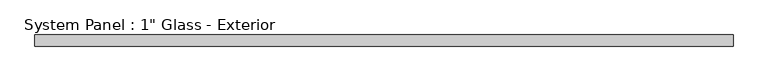
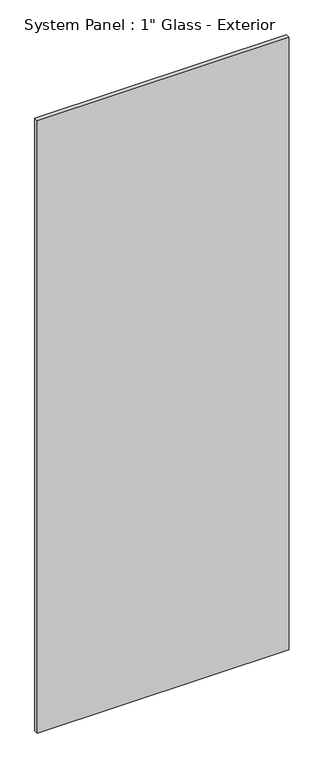
"""IFC4 building model written with IfcOpenShell, lengths in millimetres: plate geometry."""

import ifcopenshell
import ifcopenshell.guid

model = None  # the IFC model being written
_history = None  # IfcOwnerHistory: only IFC2X3 demands one
_inside = {}  # id of a spatial element -> (the spatial element, [elements in it])
_under = {}  # id of a project, library or spatial element -> (it, [spatial elements below it])
_declared = {}  # id of a project -> (the project, [libraries it declares])
_typed = {}  # id of a type object -> (the type object, [elements of that type])
_made_of = {}  # id of a material, layer set ... -> (it, [elements and type objects made of it])


def new_model(schema):
    """Start an empty IFC model of exactly this schema.

    Asked for "IFC4X3", IfcOpenShell would pick the latest addendum, in which some entities
    have other attributes; the version numbers below select the first issue.
    IFC2X3 requires an IfcOwnerHistory on every rooted entity: one is made here for all.
    """
    global model, _history
    if schema == "IFC4X3":
        model = ifcopenshell.file(schema_version=(4, 3, 0, 0))
    else:
        model = ifcopenshell.file(schema=schema)
    _inside.clear()
    _under.clear()
    _declared.clear()
    _typed.clear()
    _made_of.clear()
    _history = None
    if model.schema == "IFC2X3":
        org = make("IfcOrganization", Name="unknown")
        user = make(
            "IfcPersonAndOrganization",
            ThePerson=make("IfcPerson", FamilyName="unknown"),
            TheOrganization=org,
        )
        app = make(
            "IfcApplication",
            ApplicationDeveloper=org,
            Version="unknown",
            ApplicationFullName="unknown",
            ApplicationIdentifier="unknown",
        )
        _history = make(
            "IfcOwnerHistory",
            OwningUser=user,
            OwningApplication=app,
            ChangeAction="ADDED",
            CreationDate=0,
        )
    return model


def make(cls, **values):
    """One entity of the class cls with the attributes given. An attribute that is None is left unset."""
    return model.create_entity(
        cls, **{name: value for name, value in values.items() if value is not None}
    )


def rooted(cls, **values):
    """An entity with a GlobalId (a new one), such as an element, a storey or a relation."""
    return make(cls, GlobalId=ifcopenshell.guid.new(), OwnerHistory=_history, **values)


def si_unit(unit_type, name, prefix=None):
    """IfcSIUnit, for example si_unit("LENGTHUNIT", "METRE", prefix="MILLI")."""
    return make("IfcSIUnit", UnitType=unit_type, Prefix=prefix, Name=name)


def assignment(units):
    """IfcUnitAssignment: the units of a project."""
    return None if units is None else make("IfcUnitAssignment", Units=units)


def point(xyz):
    """IfcCartesianPoint."""
    return None if xyz is None else make("IfcCartesianPoint", Coordinates=xyz)


def direction(xyz):
    """IfcDirection."""
    return None if xyz is None else make("IfcDirection", DirectionRatios=xyz)


def frame(location, z_axis=None, x_axis=None):
    """IfcAxis2Placement3D, a coordinate frame: its origin and axes. An axis left out is left unset."""
    return make(
        "IfcAxis2Placement3D",
        Location=point(location),
        Axis=direction(z_axis),
        RefDirection=direction(x_axis),
    )


def origin():
    """The frame at (0, 0, 0) with its axes left unset."""
    return frame((0.0, 0.0, 0.0))


def origin_with_axes():
    """The frame at (0, 0, 0) with the z axis (0, 0, 1) and the x axis (1, 0, 0) written out."""
    return frame((0.0, 0.0, 0.0), z_axis=(0.0, 0.0, 1.0), x_axis=(1.0, 0.0, 0.0))


def place(relative_to, where):
    """IfcLocalPlacement: puts the frame where relative to a parent placement (None: the world)."""
    return make(
        "IfcLocalPlacement", PlacementRelTo=relative_to, RelativePlacement=where
    )


def context(
    kind, dimensions, precision=None, world=None, true_north=None, identifier=None
):
    """IfcGeometricRepresentationContext, for example the 3D "Model" context."""
    return make(
        "IfcGeometricRepresentationContext",
        ContextIdentifier=identifier,
        ContextType=kind,
        CoordinateSpaceDimension=dimensions,
        Precision=precision,
        WorldCoordinateSystem=world,
        TrueNorth=true_north,
    )


def project(units=None, contexts=None):
    """IfcProject with its units and contexts."""
    return rooted(
        "IfcProject",
        Name="project",
        RepresentationContexts=contexts,
        UnitsInContext=assignment(units),
    )


def spatial(cls, under=None, at=None, **own):
    """A site, building, storey or space (cls), placed at a placement, below another one or the project."""
    s = rooted(cls, ObjectPlacement=at, **own)
    if under is not None:
        _under.setdefault(under.id(), (under, []))[1].append(s)
    return s


def polyline(points):
    """IfcPolyline through the points."""
    return make("IfcPolyline", Points=[point(p) for p in points])


def outline(outer, holes=None, kind="AREA"):
    """IfcArbitraryClosedProfileDef: a profile drawn as a closed curve; with holes, ...WithVoids."""
    if holes is None:
        return make("IfcArbitraryClosedProfileDef", ProfileType=kind, OuterCurve=outer)
    return make(
        "IfcArbitraryProfileDefWithVoids",
        ProfileType=kind,
        OuterCurve=outer,
        InnerCurves=holes,
    )


def extrude(swept, where, along, depth):
    """IfcExtrudedAreaSolid: the profile swept, set in the frame where, extruded along a direction by depth."""
    return make(
        "IfcExtrudedAreaSolid",
        SweptArea=swept,
        Position=where,
        ExtrudedDirection=direction(along),
        Depth=depth,
    )


def shape(context_of_items, identifier, shape_type, items):
    """IfcShapeRepresentation: the items that make up one representation, for example the "Body"."""
    return make(
        "IfcShapeRepresentation",
        ContextOfItems=context_of_items,
        RepresentationIdentifier=identifier,
        RepresentationType=shape_type,
        Items=items,
    )


def source(mapping_origin, context_of_items, identifier, shape_type, items):
    """IfcRepresentationMap: a shape defined once, which mapped items show again and again."""
    return make(
        "IfcRepresentationMap",
        MappingOrigin=mapping_origin,
        MappedRepresentation=shape(context_of_items, identifier, shape_type, items),
    )


def transform(
    local_origin,
    x_axis=None,
    y_axis=None,
    z_axis=None,
    scale=None,
    scale2=None,
    scale3=None,
    uniform=True,
):
    """IfcCartesianTransformationOperator3D, or its non-uniform kind. x_axis, y_axis, z_axis: its Axis1, 2, 3."""
    if uniform:
        return make(
            "IfcCartesianTransformationOperator3D",
            Axis1=direction(x_axis),
            Axis2=direction(y_axis),
            LocalOrigin=point(local_origin),
            Scale=scale,
            Axis3=direction(z_axis),
        )
    return make(
        "IfcCartesianTransformationOperator3DnonUniform",
        Axis1=direction(x_axis),
        Axis2=direction(y_axis),
        LocalOrigin=point(local_origin),
        Scale=scale,
        Axis3=direction(z_axis),
        Scale2=scale2,
        Scale3=scale3,
    )


def mapped(mapping_source, mapping_target):
    """IfcMappedItem: shows the shape of a source again, moved by a transform."""
    return make(
        "IfcMappedItem", MappingSource=mapping_source, MappingTarget=mapping_target
    )


def made_of(thing, what):
    """Note that an element or type object is made of a material, layer set ...; save() writes the relation."""
    if what is not None:
        _made_of.setdefault(what.id(), (what, []))[1].append(thing)
    return thing


def element(
    cls,
    number,
    at=None,
    inside=None,
    cuts=None,
    type_object=None,
    material=None,
    context=None,
    identifier="Body",
    shape_type=None,
    held_by="IfcProductDefinitionShape",
    body=None,
    shapes=None,
    **own,
):
    """One element of the class cls, such as IfcWall. Its Tag is "e" and its number.

    at: its placement. inside: the storey or other place that contains it. cuts: it is an
    opening in that element (IfcRelVoidsElement). A single representation is given by context,
    identifier, shape_type and body (its items); several are given by shapes. held_by: the class
    of the entity that holds the representations. save() writes the other relations.
    """
    e = rooted(cls, Tag="e%d" % number, ObjectPlacement=at, **own)
    if body is not None:
        shapes = [shape(context, identifier, shape_type, body)]
    if shapes is not None:
        e.Representation = make(held_by, Representations=shapes)
    if inside is not None:
        _inside.setdefault(inside.id(), (inside, []))[1].append(e)
    if cuts is not None:
        rooted(
            "IfcRelVoidsElement", RelatingBuildingElement=cuts, RelatedOpeningElement=e
        )
    if type_object is not None:
        _typed.setdefault(type_object.id(), (type_object, []))[1].append(e)
    return made_of(e, material)


def aggregate(whole, parts):
    """IfcRelAggregates: a whole, such as a stair, and the parts it consists of."""
    return rooted("IfcRelAggregates", RelatingObject=whole, RelatedObjects=parts)


def save(model, path):
    """Write the relations noted so far, then the file.

    IfcRelAggregates (storeys below a building ...), IfcRelContainedInSpatialStructure (elements
    in a storey), IfcRelDefinesByType, IfcRelAssociatesMaterial and IfcRelDeclares: one each for
    every whole, place, type object, material and project.
    """
    for whole, parts in _under.values():
        aggregate(whole, parts)
    for where, things in _inside.values():
        rooted(
            "IfcRelContainedInSpatialStructure",
            RelatedElements=things,
            RelatingStructure=where,
        )
    for kind, things in _typed.values():
        rooted("IfcRelDefinesByType", RelatedObjects=things, RelatingType=kind)
    for what, things in _made_of.values():
        rooted("IfcRelAssociatesMaterial", RelatedObjects=things, RelatingMaterial=what)
    for by, libraries in _declared.values():
        rooted("IfcRelDeclares", RelatingContext=by, RelatedDefinitions=libraries)
    model.write(path)


def plate_7dbccde8(model_context):
    return source(origin(), model_context, "Body", "SweptSolid", [
        extrude(outline(polyline([(771.4732543, 0.0), (-771.4732543, 0.0), (-771.4732543, 25.4), (771.4732543, 25.4), (771.4732543, 0.0)])), origin_with_axes(), (0.0, 0.0, 1.0), 3962.4),
    ])


if __name__ == "__main__":
    model = new_model("IFC4")
    model_context = context("Model", 3, world=origin())
    ifc_project = project(units=[si_unit("LENGTHUNIT", "METRE", prefix="MILLI")], contexts=[model_context])
    site = spatial("IfcSite", under=ifc_project)
    building = spatial("IfcBuilding", under=site)
    placement = place(None, origin())
    plate_shape = plate_7dbccde8(model_context)
    element("IfcPlate", 1, ObjectType="System Panel : 1\" Glass - Exterior", at=placement, inside=building, context=model_context, shape_type="MappedRepresentation", body=[
        mapped(plate_shape, transform((0.0, 0.0, 0.0), x_axis=(1.0, 0.0, 0.0), y_axis=(0.0, 1.0, 0.0), z_axis=(0.0, 0.0, 1.0))),
    ])
    save(model, "model.ifc")
